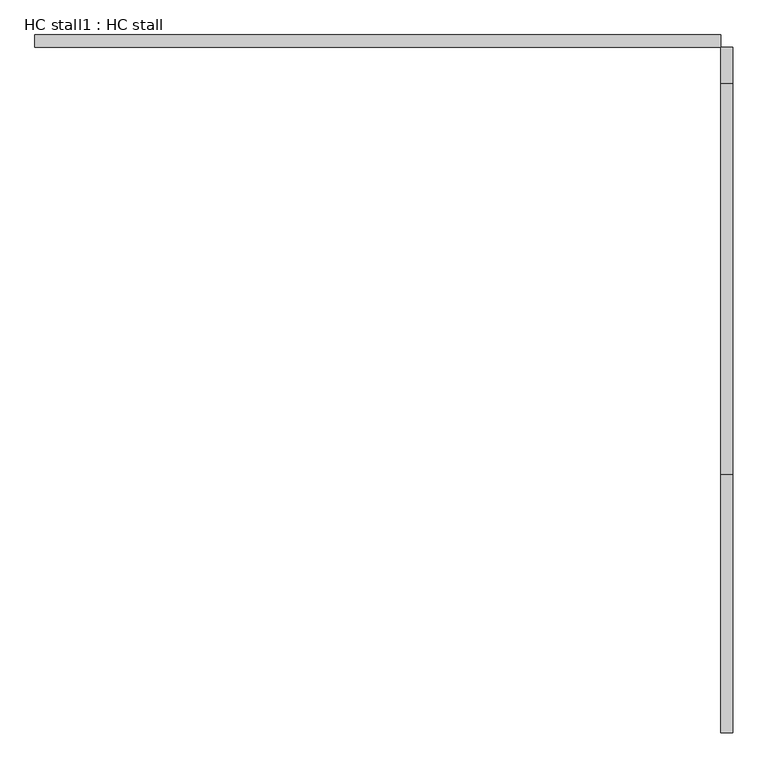
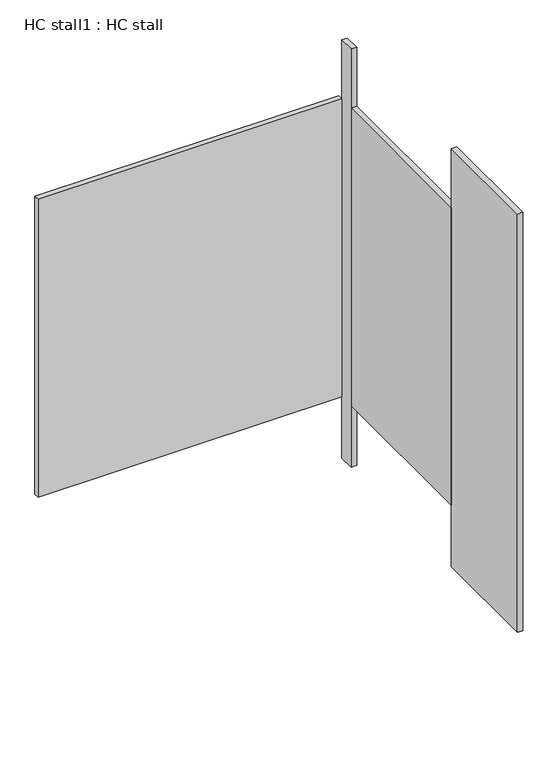
"""IFC4 building model written with IfcOpenShell, lengths in millimetres: proxy geometry, HC stall1 : HC stall."""

from ifc_helpers import new_model, si_unit, frame, origin, origin_with_axes, place, context, project, spatial, polyline, outline, extrude, source, transform, mapped, element, save


def hc_stall1_hc_stall_3891a27f(model_context):
    return source(origin(), model_context, "Body", "SweptSolid", [
        extrude(outline(polyline([(456785.4504676, -349842.9455223), (458207.8504676, -349842.9455223), (458207.8504676, -349868.3455223), (456785.4504676, -349868.3455223), (456785.4504676, -349842.9455223)])), frame((0.0, 0.0, 304.8), z_axis=(0.0, 0.0, 1.0), x_axis=(1.0, 0.0, 0.0)), (0.0, 0.0, 1.0), 1473.2),
        extrude(outline(polyline([(458207.8504676, -350755.7580223), (458233.2504676, -350755.7580223), (458233.2504676, -351290.7455223), (458207.8504676, -351290.7455223), (458207.8504676, -350755.7580223)])), origin_with_axes(), (0.0, 0.0, 1.0), 2070.1),
        extrude(outline(polyline([(458207.8504676, -349868.3455223), (458233.2504676, -349868.3455223), (458233.2504676, -349942.9580223), (458207.8504676, -349942.9580223), (458207.8504676, -349868.3455223)])), origin_with_axes(), (0.0, 0.0, 1.0), 2070.1),
        extrude(outline(polyline([(458207.8504676, -349942.9580223), (458233.2504676, -349942.9580223), (458233.2504676, -350755.7580223), (458207.8504676, -350755.7580223), (458207.8504676, -349942.9580223)])), frame((0.0, 0.0, 304.8), z_axis=(0.0, 0.0, 1.0), x_axis=(1.0, 0.0, 0.0)), (0.0, 0.0, 1.0), 1473.2),
    ])


if __name__ == "__main__":
    model = new_model("IFC4")
    model_context = context("Model", 3, world=origin())
    ifc_project = project(units=[si_unit("LENGTHUNIT", "METRE", prefix="MILLI")], contexts=[model_context])
    site = spatial("IfcSite", under=ifc_project)
    building = spatial("IfcBuilding", under=site)
    placement = place(None, origin())
    hc_stall1_hc_stall_shape = hc_stall1_hc_stall_3891a27f(model_context)
    element("IfcBuildingElementProxy", 1, Name="HC stall1 : HC stall", ObjectType="HC stall1 : HC stall", at=placement, inside=building, context=model_context, shape_type="MappedRepresentation", body=[
        mapped(hc_stall1_hc_stall_shape, transform((0.0, 0.0, 0.0), x_axis=(1.0, 0.0, 0.0), y_axis=(0.0, 1.0, 0.0), z_axis=(0.0, 0.0, 1.0))),
    ])
    save(model, "model.ifc")
